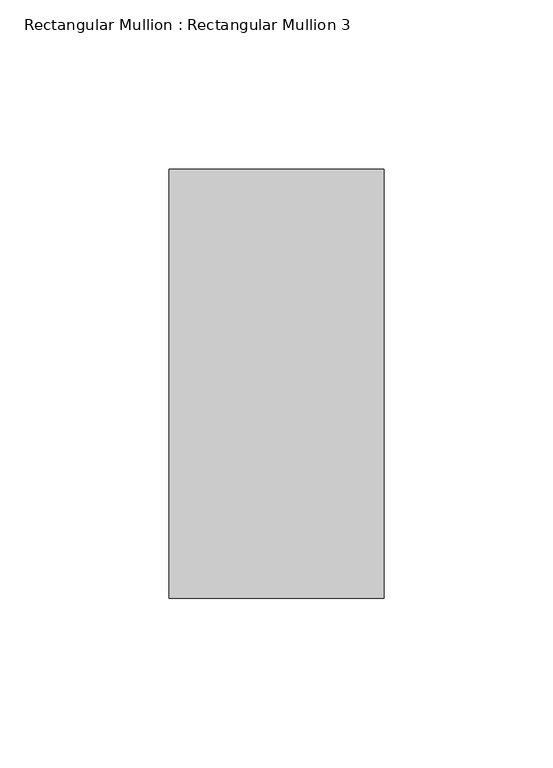
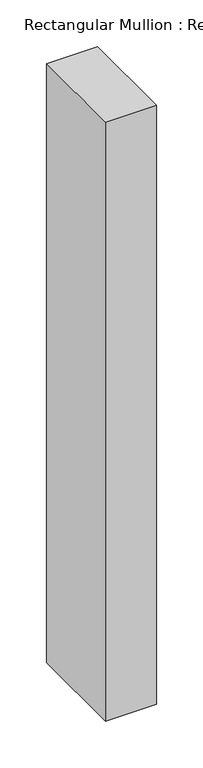
"""IFC4 building model written with IfcOpenShell, lengths in millimetres: member geometry, Rectangular Mullion : Rectangular Mullion 3."""

from ifc_helpers import new_model, si_unit, frame, origin, place, context, project, spatial, polyline, outline, extrude, source, transform, mapped, element, save


def rectangular_mullion_rectangular_mullion_3_7f82d643(model_context):
    return source(origin(), model_context, "Body", "SweptSolid", [
        extrude(outline(polyline([(63.6, 188.5), (63.6, 61.5), (0.0, 61.5), (0.0, 188.5), (63.6, 188.5)])), frame((0.0, 0.0, -786.0), z_axis=(0.0, 0.0, 1.0), x_axis=(1.0, 0.0, 0.0)), (0.0, 0.0, 1.0), 786.0),
    ])


if __name__ == "__main__":
    model = new_model("IFC4")
    model_context = context("Model", 3, world=origin())
    ifc_project = project(units=[si_unit("LENGTHUNIT", "METRE", prefix="MILLI")], contexts=[model_context])
    site = spatial("IfcSite", under=ifc_project)
    building = spatial("IfcBuilding", under=site)
    placement = place(None, origin())
    rectangular_mullion_rectangular_mullion_3_shape = rectangular_mullion_rectangular_mullion_3_7f82d643(model_context)
    element("IfcMember", 1, ObjectType="Rectangular Mullion : Rectangular Mullion 3", at=placement, inside=building, context=model_context, shape_type="MappedRepresentation", body=[
        mapped(rectangular_mullion_rectangular_mullion_3_shape, transform((0.0, 0.0, 0.0), x_axis=(1.0, 0.0, 0.0), y_axis=(0.0, 1.0, 0.0), z_axis=(0.0, 0.0, 1.0))),
    ])
    save(model, "model.ifc")
